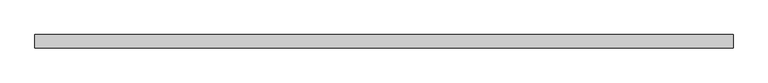
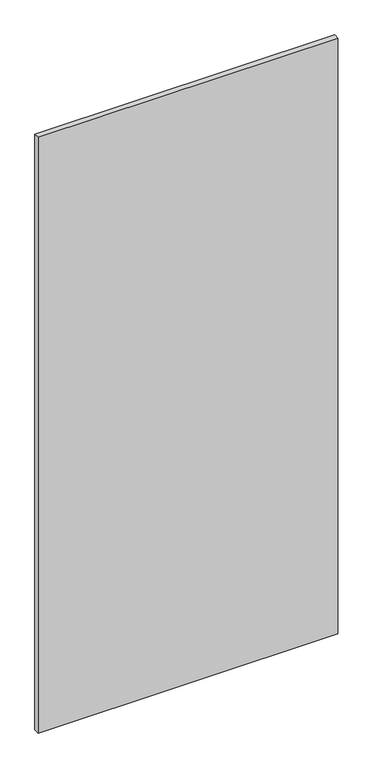
"""IFC4 building model written with IfcOpenShell, lengths in millimetres: proxy geometry."""

from ifc_helpers import new_model, si_unit, frame, origin, place, context, project, spatial, polyline, outline, extrude, source, transform, mapped, element, save


def specialty_equipment_0e343dac(model_context):
    return source(origin(), model_context, "Body", "SweptSolid", [
        extrude(outline(polyline([(506.1204, -9.525), (-506.1204, -9.525), (-506.1204, 9.525), (506.1204, 9.525), (506.1204, -9.525)])), frame((0.0, 0.0, 3.175), z_axis=(0.0, 0.0, 1.0), x_axis=(1.0, 0.0, 0.0)), (0.0, 0.0, 1.0), 2127.25),
    ])


if __name__ == "__main__":
    model = new_model("IFC4")
    model_context = context("Model", 3, world=origin())
    ifc_project = project(units=[si_unit("LENGTHUNIT", "METRE", prefix="MILLI")], contexts=[model_context])
    site = spatial("IfcSite", under=ifc_project)
    building = spatial("IfcBuilding", under=site)
    placement = place(None, origin())
    specialty_equipment_shape = specialty_equipment_0e343dac(model_context)
    element("IfcBuildingElementProxy", 1, Name="Specialty Equipment", at=placement, inside=building, context=model_context, shape_type="MappedRepresentation", body=[
        mapped(specialty_equipment_shape, transform((0.0, 0.0, 0.0), x_axis=(1.0, 0.0, 0.0), y_axis=(0.0, 1.0, 0.0), z_axis=(0.0, 0.0, 1.0))),
    ])
    save(model, "model.ifc")
